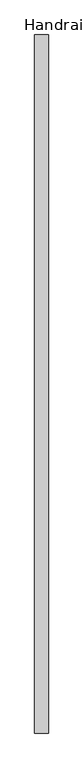
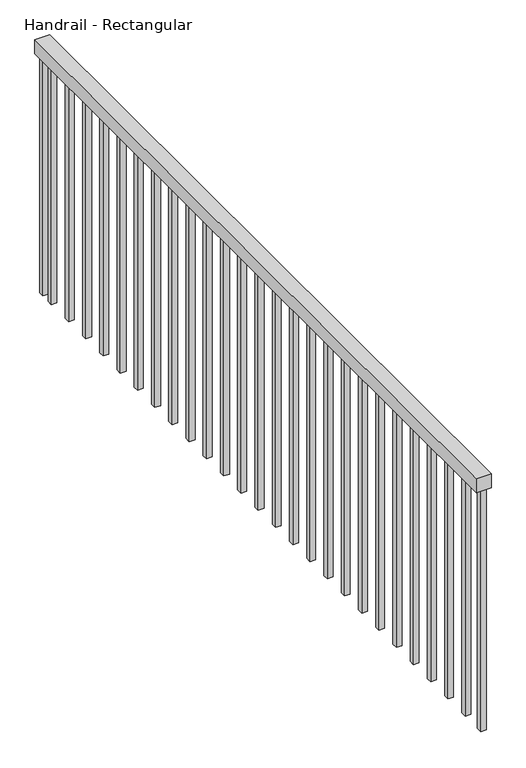
"""IFC4 building model written with IfcOpenShell, lengths in millimetres: railing geometry, Handrail - Rectangular."""

from ifc_helpers import new_model, si_unit, frame, origin, place, context, project, spatial, polyline, outline, extrude, source, transform, mapped, element, save


def handrail_rectangular_38c7527f(model_context):
    return source(origin(), model_context, "Body", "SweptSolid", [
        extrude(outline(polyline([(20071.7463288, 1756.657897), (20020.9463288, 1756.657897), (20020.9463288, 4356.657897), (20071.7463288, 4356.657897), (20071.7463288, 1756.657897)])), frame((0.0, 0.0, 3903.6), z_axis=(0.0, 0.0, 1.0), x_axis=(1.0, 0.0, 0.0)), (0.0, 0.0, 1.0), 50.8),
        extrude(outline(polyline([(20055.8713288, 4287.132897), (20036.8213288, 4287.132897), (20036.8213288, 4306.182897), (20055.8713288, 4306.182897), (20055.8713288, 4287.132897)])), frame((0.0, 0.0, 3040.0), z_axis=(0.0, 0.0, 1.0), x_axis=(1.0, 0.0, 0.0)), (0.0, 0.0, 1.0), 863.6),
        extrude(outline(polyline([(20055.8713288, 4185.532897), (20036.8213288, 4185.532897), (20036.8213288, 4204.582897), (20055.8713288, 4204.582897), (20055.8713288, 4185.532897)])), frame((0.0, 0.0, 3040.0), z_axis=(0.0, 0.0, 1.0), x_axis=(1.0, 0.0, 0.0)), (0.0, 0.0, 1.0), 863.6),
        extrude(outline(polyline([(20055.8713288, 4083.932897), (20036.8213288, 4083.932897), (20036.8213288, 4102.982897), (20055.8713288, 4102.982897), (20055.8713288, 4083.932897)])), frame((0.0, 0.0, 3040.0), z_axis=(0.0, 0.0, 1.0), x_axis=(1.0, 0.0, 0.0)), (0.0, 0.0, 1.0), 863.6),
        extrude(outline(polyline([(20055.8713288, 3982.332897), (20036.8213288, 3982.332897), (20036.8213288, 4001.382897), (20055.8713288, 4001.382897), (20055.8713288, 3982.332897)])), frame((0.0, 0.0, 3040.0), z_axis=(0.0, 0.0, 1.0), x_axis=(1.0, 0.0, 0.0)), (0.0, 0.0, 1.0), 863.6),
        extrude(outline(polyline([(20055.8713288, 3880.732897), (20036.8213288, 3880.732897), (20036.8213288, 3899.782897), (20055.8713288, 3899.782897), (20055.8713288, 3880.732897)])), frame((0.0, 0.0, 3040.0), z_axis=(0.0, 0.0, 1.0), x_axis=(1.0, 0.0, 0.0)), (0.0, 0.0, 1.0), 863.6),
        extrude(outline(polyline([(20055.8713288, 3779.132897), (20036.8213288, 3779.132897), (20036.8213288, 3798.182897), (20055.8713288, 3798.182897), (20055.8713288, 3779.132897)])), frame((0.0, 0.0, 3040.0), z_axis=(0.0, 0.0, 1.0), x_axis=(1.0, 0.0, 0.0)), (0.0, 0.0, 1.0), 863.6),
        extrude(outline(polyline([(20055.8713288, 3677.532897), (20036.8213288, 3677.532897), (20036.8213288, 3696.582897), (20055.8713288, 3696.582897), (20055.8713288, 3677.532897)])), frame((0.0, 0.0, 3040.0), z_axis=(0.0, 0.0, 1.0), x_axis=(1.0, 0.0, 0.0)), (0.0, 0.0, 1.0), 863.6),
        extrude(outline(polyline([(20055.8713288, 3575.932897), (20036.8213288, 3575.932897), (20036.8213288, 3594.982897), (20055.8713288, 3594.982897), (20055.8713288, 3575.932897)])), frame((0.0, 0.0, 3040.0), z_axis=(0.0, 0.0, 1.0), x_axis=(1.0, 0.0, 0.0)), (0.0, 0.0, 1.0), 863.6),
        extrude(outline(polyline([(20055.8713288, 3474.332897), (20036.8213288, 3474.332897), (20036.8213288, 3493.382897), (20055.8713288, 3493.382897), (20055.8713288, 3474.332897)])), frame((0.0, 0.0, 3040.0), z_axis=(0.0, 0.0, 1.0), x_axis=(1.0, 0.0, 0.0)), (0.0, 0.0, 1.0), 863.6),
        extrude(outline(polyline([(20055.8713288, 3372.732897), (20036.8213288, 3372.732897), (20036.8213288, 3391.782897), (20055.8713288, 3391.782897), (20055.8713288, 3372.732897)])), frame((0.0, 0.0, 3040.0), z_axis=(0.0, 0.0, 1.0), x_axis=(1.0, 0.0, 0.0)), (0.0, 0.0, 1.0), 863.6),
        extrude(outline(polyline([(20055.8713288, 3271.132897), (20036.8213288, 3271.132897), (20036.8213288, 3290.182897), (20055.8713288, 3290.182897), (20055.8713288, 3271.132897)])), frame((0.0, 0.0, 3040.0), z_axis=(0.0, 0.0, 1.0), x_axis=(1.0, 0.0, 0.0)), (0.0, 0.0, 1.0), 863.6),
        extrude(outline(polyline([(20055.8713288, 3169.532897), (20036.8213288, 3169.532897), (20036.8213288, 3188.582897), (20055.8713288, 3188.582897), (20055.8713288, 3169.532897)])), frame((0.0, 0.0, 3040.0), z_axis=(0.0, 0.0, 1.0), x_axis=(1.0, 0.0, 0.0)), (0.0, 0.0, 1.0), 863.6),
        extrude(outline(polyline([(20055.8713288, 3067.932897), (20036.8213288, 3067.932897), (20036.8213288, 3086.982897), (20055.8713288, 3086.982897), (20055.8713288, 3067.932897)])), frame((0.0, 0.0, 3040.0), z_axis=(0.0, 0.0, 1.0), x_axis=(1.0, 0.0, 0.0)), (0.0, 0.0, 1.0), 863.6),
        extrude(outline(polyline([(20055.8713288, 2966.332897), (20036.8213288, 2966.332897), (20036.8213288, 2985.382897), (20055.8713288, 2985.382897), (20055.8713288, 2966.332897)])), frame((0.0, 0.0, 3040.0), z_axis=(0.0, 0.0, 1.0), x_axis=(1.0, 0.0, 0.0)), (0.0, 0.0, 1.0), 863.6),
        extrude(outline(polyline([(20055.8713288, 2864.732897), (20036.8213288, 2864.732897), (20036.8213288, 2883.782897), (20055.8713288, 2883.782897), (20055.8713288, 2864.732897)])), frame((0.0, 0.0, 3040.0), z_axis=(0.0, 0.0, 1.0), x_axis=(1.0, 0.0, 0.0)), (0.0, 0.0, 1.0), 863.6),
        extrude(outline(polyline([(20055.8713288, 2763.132897), (20036.8213288, 2763.132897), (20036.8213288, 2782.182897), (20055.8713288, 2782.182897), (20055.8713288, 2763.132897)])), frame((0.0, 0.0, 3040.0), z_axis=(0.0, 0.0, 1.0), x_axis=(1.0, 0.0, 0.0)), (0.0, 0.0, 1.0), 863.6),
        extrude(outline(polyline([(20055.8713288, 2661.532897), (20036.8213288, 2661.532897), (20036.8213288, 2680.582897), (20055.8713288, 2680.582897), (20055.8713288, 2661.532897)])), frame((0.0, 0.0, 3040.0), z_axis=(0.0, 0.0, 1.0), x_axis=(1.0, 0.0, 0.0)), (0.0, 0.0, 1.0), 863.6),
        extrude(outline(polyline([(20055.8713288, 2559.932897), (20036.8213288, 2559.932897), (20036.8213288, 2578.982897), (20055.8713288, 2578.982897), (20055.8713288, 2559.932897)])), frame((0.0, 0.0, 3040.0), z_axis=(0.0, 0.0, 1.0), x_axis=(1.0, 0.0, 0.0)), (0.0, 0.0, 1.0), 863.6),
        extrude(outline(polyline([(20055.8713288, 2458.332897), (20036.8213288, 2458.332897), (20036.8213288, 2477.382897), (20055.8713288, 2477.382897), (20055.8713288, 2458.332897)])), frame((0.0, 0.0, 3040.0), z_axis=(0.0, 0.0, 1.0), x_axis=(1.0, 0.0, 0.0)), (0.0, 0.0, 1.0), 863.6),
        extrude(outline(polyline([(20055.8713288, 2356.732897), (20036.8213288, 2356.732897), (20036.8213288, 2375.782897), (20055.8713288, 2375.782897), (20055.8713288, 2356.732897)])), frame((0.0, 0.0, 3040.0), z_axis=(0.0, 0.0, 1.0), x_axis=(1.0, 0.0, 0.0)), (0.0, 0.0, 1.0), 863.6),
        extrude(outline(polyline([(20055.8713288, 2255.132897), (20036.8213288, 2255.132897), (20036.8213288, 2274.182897), (20055.8713288, 2274.182897), (20055.8713288, 2255.132897)])), frame((0.0, 0.0, 3040.0), z_axis=(0.0, 0.0, 1.0), x_axis=(1.0, 0.0, 0.0)), (0.0, 0.0, 1.0), 863.6),
        extrude(outline(polyline([(20055.8713288, 2153.532897), (20036.8213288, 2153.532897), (20036.8213288, 2172.582897), (20055.8713288, 2172.582897), (20055.8713288, 2153.532897)])), frame((0.0, 0.0, 3040.0), z_axis=(0.0, 0.0, 1.0), x_axis=(1.0, 0.0, 0.0)), (0.0, 0.0, 1.0), 863.6),
        extrude(outline(polyline([(20055.8713288, 2051.932897), (20036.8213288, 2051.932897), (20036.8213288, 2070.982897), (20055.8713288, 2070.982897), (20055.8713288, 2051.932897)])), frame((0.0, 0.0, 3040.0), z_axis=(0.0, 0.0, 1.0), x_axis=(1.0, 0.0, 0.0)), (0.0, 0.0, 1.0), 863.6),
        extrude(outline(polyline([(20055.8713288, 1950.332897), (20036.8213288, 1950.332897), (20036.8213288, 1969.382897), (20055.8713288, 1969.382897), (20055.8713288, 1950.332897)])), frame((0.0, 0.0, 3040.0), z_axis=(0.0, 0.0, 1.0), x_axis=(1.0, 0.0, 0.0)), (0.0, 0.0, 1.0), 863.6),
        extrude(outline(polyline([(20055.8713288, 1848.732897), (20036.8213288, 1848.732897), (20036.8213288, 1867.782897), (20055.8713288, 1867.782897), (20055.8713288, 1848.732897)])), frame((0.0, 0.0, 3040.0), z_axis=(0.0, 0.0, 1.0), x_axis=(1.0, 0.0, 0.0)), (0.0, 0.0, 1.0), 863.6),
        extrude(outline(polyline([(20055.8713288, 4337.607897), (20036.8213288, 4337.607897), (20036.8213288, 4356.657897), (20055.8713288, 4356.657897), (20055.8713288, 4337.607897)])), frame((0.0, 0.0, 3040.0), z_axis=(0.0, 0.0, 1.0), x_axis=(1.0, 0.0, 0.0)), (0.0, 0.0, 1.0), 863.6),
        extrude(outline(polyline([(20055.8713288, 1756.657897), (20036.8213288, 1756.657897), (20036.8213288, 1775.707897), (20055.8713288, 1775.707897), (20055.8713288, 1756.657897)])), frame((0.0, 0.0, 3040.0), z_axis=(0.0, 0.0, 1.0), x_axis=(1.0, 0.0, 0.0)), (0.0, 0.0, 1.0), 863.6),
    ])


if __name__ == "__main__":
    model = new_model("IFC4")
    model_context = context("Model", 3, world=origin())
    ifc_project = project(units=[si_unit("LENGTHUNIT", "METRE", prefix="MILLI")], contexts=[model_context])
    site = spatial("IfcSite", under=ifc_project)
    building = spatial("IfcBuilding", under=site)
    placement = place(None, origin())
    handrail_rectangular_shape = handrail_rectangular_38c7527f(model_context)
    element("IfcRailing", 1, ObjectType="Handrail - Rectangular", at=placement, inside=building, context=model_context, shape_type="MappedRepresentation", body=[
        mapped(handrail_rectangular_shape, transform((0.0, 0.0, 0.0), x_axis=(1.0, 0.0, 0.0), y_axis=(0.0, 1.0, 0.0), z_axis=(0.0, 0.0, 1.0))),
    ])
    save(model, "model.ifc")
